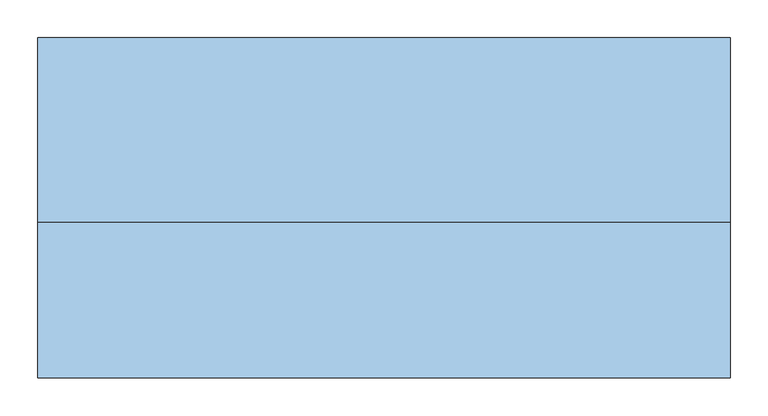
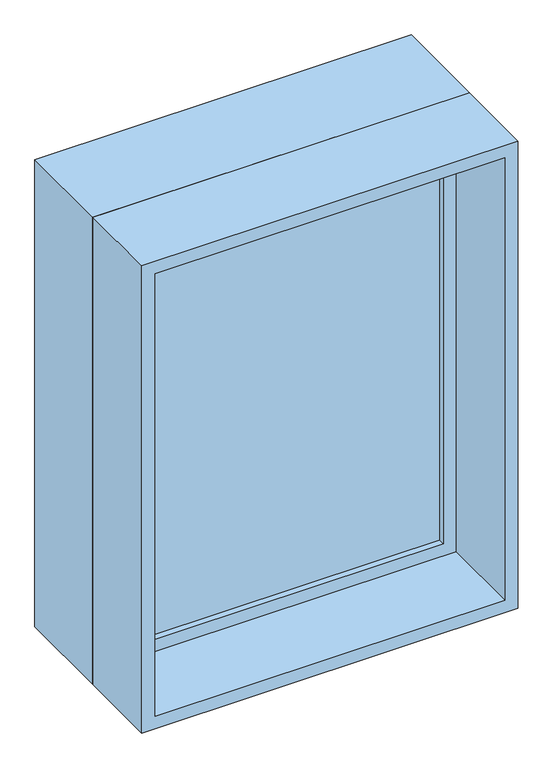
"""IFC4 building model written with IfcOpenShell, lengths in millimetres: window geometry."""

from ifc_helpers import new_model, si_unit, frame, origin, place, context, project, spatial, polyline, outline, extrude, source, transform, mapped, element, save


def window_d8634b34(model_context):
    return source(origin(), model_context, "Body", "SweptSolid", [
        extrude(outline(polyline([(-394.5, 22.0), (394.5, 22.0), (394.5, 10.0), (-394.5, 10.0), (-394.5, 22.0)])), frame((0.0, 0.0, 368.0), z_axis=(0.0, 0.0, 1.0), x_axis=(1.0, 0.0, 0.0)), (0.0, 0.0, 1.0), 1074.0),
        extrude(outline(polyline([(1486.0, -438.5), (324.0, -438.5), (324.0, 438.5), (1486.0, 438.5), (1486.0, -438.5)]), holes=[polyline([(1442.0, -394.5), (1442.0, 394.5), (368.0, 394.5), (368.0, -394.5), (1442.0, -394.5)])]), frame((0.0, -6.0, 0.0), z_axis=(0.0, 1.0, 0.0), x_axis=(0.0, 0.0, 1.0)), (0.0, 0.0, 1.0), 44.0),
        extrude(outline(polyline([(1505.0, -457.5), (305.0, -457.5), (305.0, 457.5), (1505.0, 457.5), (1505.0, -457.5)]), holes=[polyline([(1486.0, -438.5), (1486.0, 438.5), (324.0, 438.5), (324.0, -438.5), (1486.0, -438.5)])]), frame((0.0, -6.0, 0.0), z_axis=(0.0, 1.0, 0.0), x_axis=(0.0, 0.0, 1.0)), (0.0, 0.0, 1.0), 244.0),
        extrude(outline(polyline([(1505.0, -457.5), (305.0, -457.5), (305.0, 457.5), (1505.0, 457.5), (1505.0, -457.5)]), holes=[polyline([(1473.0, -425.5), (1473.0, 425.5), (337.0, 425.5), (337.0, -425.5), (1473.0, -425.5)])]), frame((0.0, -212.0, 0.0), z_axis=(0.0, 1.0, 0.0), x_axis=(0.0, 0.0, 1.0)), (0.0, 0.0, 1.0), 206.0),
    ])


if __name__ == "__main__":
    model = new_model("IFC4")
    model_context = context("Model", 3, world=origin())
    ifc_project = project(units=[si_unit("LENGTHUNIT", "METRE", prefix="MILLI")], contexts=[model_context])
    site = spatial("IfcSite", under=ifc_project)
    building = spatial("IfcBuilding", under=site)
    placement = place(None, origin())
    window_shape = window_d8634b34(model_context)
    element("IfcWindow", 1, at=placement, inside=building, context=model_context, shape_type="MappedRepresentation", body=[
        mapped(window_shape, transform((0.0, 0.0, 0.0), x_axis=(1.0, 0.0, 0.0), y_axis=(0.0, 1.0, 0.0), z_axis=(0.0, 0.0, 1.0))),
    ])
    save(model, "model.ifc")
